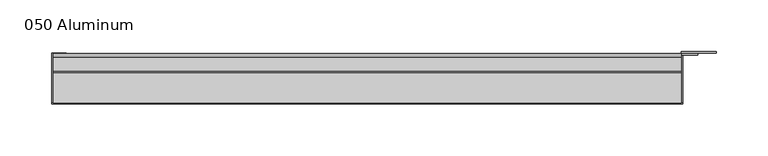
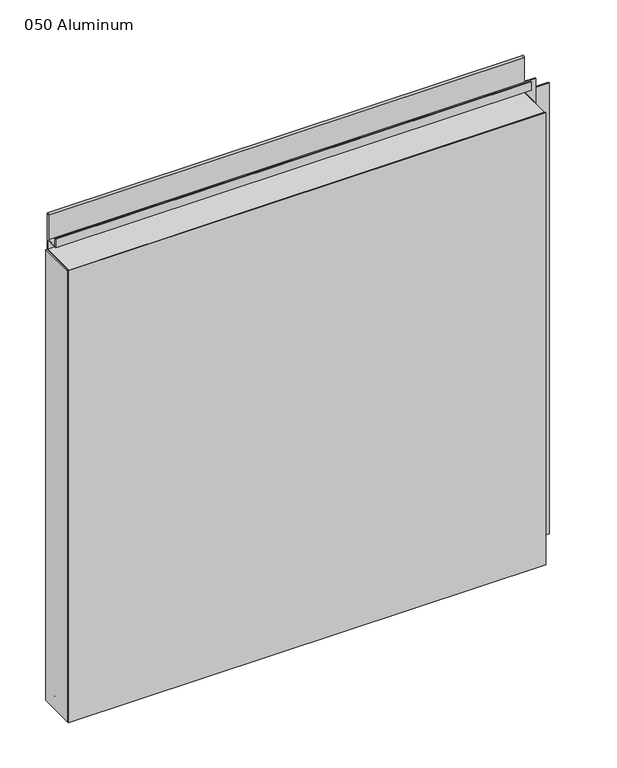
"""IFC4 building model written with IfcOpenShell, lengths in millimetres: plate geometry, 050 Aluminum."""

from ifc_helpers import new_model, si_unit, point, frame, frame_2d, origin, origin_with_axes, place, context, project, spatial, polyline, circle_curve, trimmed, segment, composite_curve, outline, extrude, source, transform, mapped, element, save


def plate_050_aluminum_e209b105(model_context):
    return source(origin(), model_context, "Body", "SweptSolid", [
        extrude(outline(polyline([(-309.88, -2.5660257), (-309.88, -49.5300001), (-311.1499999, -49.5300001), (-311.1499999, -1.2699999), (-296.9894994, -1.2699999), (-296.9894994, -2.5660257), (-309.88, -2.5660257)])), origin_with_axes(), (0.0, 0.0, 1.0), 608.33),
        extrude(outline(composite_curve([segment(polyline([(-16.6765477, 13.1458337), (-16.6765477, 2.786437), (-17.9464915, 2.786437), (-17.9464915, 13.1323356)]), True, "CONTINUOUS"), segment(trimmed(circle_curve(frame_2d((-19.8514743, 13.124237)), 1.905), [point((-17.9464915, 13.1323356))], [point((-21.7564743, 13.124237))], True, "CARTESIAN"), True, "CONTINUOUS"), segment(polyline([(-21.7564743, 13.124237), (-21.7564743, 0.0), (-49.5300002, 0.0), (-49.5300002, 1.2693678), (-23.0264743, 1.2693678), (-23.0264743, 13.124237)]), True, "CONTINUOUS"), segment(trimmed(circle_curve(frame_2d((-19.8514743, 13.124237)), 3.175), [point((-23.0264743, 13.124237))], [point((-16.6765477, 13.1458337))], False, "CARTESIAN"), True, "CONTINUOUS")], self_intersect=False)), frame((-309.88, 0.0, 0.0), z_axis=(1.0, 0.0, 0.0), x_axis=(0.0, 1.0, 0.0)), (0.0, 0.0, 1.0), 607.06),
        extrude(outline(composite_curve([segment(polyline([(-2.0574743, 656.7932001), (-2.0574743, 608.33), (-49.5300002, 608.33), (-49.5300002, 609.6000001), (-3.3274743, 609.6000001), (-3.3274743, 656.7932001)]), True, "CONTINUOUS"), segment(trimmed(circle_curve(frame_2d((-3.7084742, 656.7932001)), 0.3809999), [point((-3.3274743, 656.7932001))], [point((-4.0894742, 656.7932001))], True, "CARTESIAN"), True, "CONTINUOUS"), segment(polyline([(-4.0894742, 656.7932001), (-4.0894742, 622.3), (-20.4864742, 622.3), (-20.4864742, 633.6538), (-19.2164743, 633.6538), (-19.2164743, 623.57), (-5.3594742, 623.57), (-5.3594742, 656.7932001)]), True, "CONTINUOUS"), segment(trimmed(circle_curve(frame_2d((-3.7084742, 656.7932001)), 1.6509999), [point((-5.3594742, 656.7932001))], [point((-2.0574743, 656.7932001))], False, "CARTESIAN"), True, "CONTINUOUS")], self_intersect=False)), frame((-309.88, 0.0, 0.0), z_axis=(1.0, 0.0, 0.0), x_axis=(0.0, 1.0, 0.0)), (0.0, 0.0, 1.0), 607.06),
        extrude(outline(polyline([(-311.15, -50.8), (-311.15, -49.5300001), (298.45, -49.5300001), (298.45, -50.8), (-311.15, -50.8)])), origin_with_axes(), (0.0, 0.0, 1.0), 609.6),
        extrude(outline(polyline([(298.45, -1.2699999), (298.45, -49.5300002), (297.1800001, -49.5300002), (297.1800001, 0.0), (330.9620856, 0.0), (330.9620856, -1.2699999), (298.45, -1.2699999)])), origin_with_axes(), (0.0, 0.0, 1.0), 608.33),
        extrude(outline(polyline([(297.18, -3.3274743), (297.18, -2.0574743), (312.9279999, -2.0574743), (312.9279999, -3.3274743), (297.18, -3.3274743)])), origin_with_axes(), (0.0, 0.0, 1.0), 622.3),
    ])


if __name__ == "__main__":
    model = new_model("IFC4")
    model_context = context("Model", 3, world=origin())
    ifc_project = project(units=[si_unit("LENGTHUNIT", "METRE", prefix="MILLI")], contexts=[model_context])
    site = spatial("IfcSite", under=ifc_project)
    building = spatial("IfcBuilding", under=site)
    placement = place(None, origin())
    plate_050_aluminum_shape = plate_050_aluminum_e209b105(model_context)
    element("IfcPlate", 1, ObjectType="050 Aluminum", at=placement, inside=building, context=model_context, shape_type="MappedRepresentation", body=[
        mapped(plate_050_aluminum_shape, transform((0.0, 0.0, 0.0), x_axis=(1.0, 0.0, 0.0), y_axis=(0.0, 1.0, 0.0), z_axis=(0.0, 0.0, 1.0))),
    ])
    save(model, "model.ifc")
